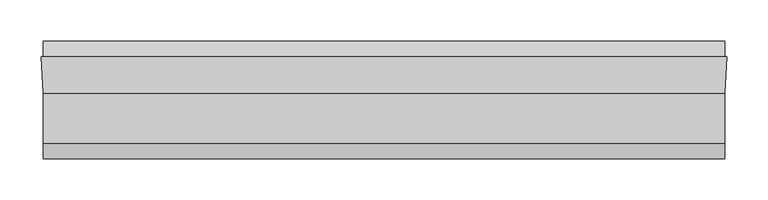
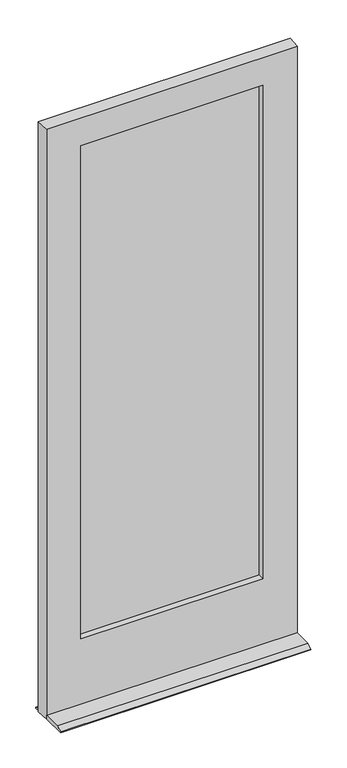
"""IFC4 building model written with IfcOpenShell, lengths in millimetres: plate geometry."""

import ifcopenshell
import ifcopenshell.guid

model = None  # the IFC model being written
_history = None  # IfcOwnerHistory: only IFC2X3 demands one
_inside = {}  # id of a spatial element -> (the spatial element, [elements in it])
_under = {}  # id of a project, library or spatial element -> (it, [spatial elements below it])
_declared = {}  # id of a project -> (the project, [libraries it declares])
_typed = {}  # id of a type object -> (the type object, [elements of that type])
_made_of = {}  # id of a material, layer set ... -> (it, [elements and type objects made of it])


def new_model(schema):
    """Start an empty IFC model of exactly this schema.

    Asked for "IFC4X3", IfcOpenShell would pick the latest addendum, in which some entities
    have other attributes; the version numbers below select the first issue.
    IFC2X3 requires an IfcOwnerHistory on every rooted entity: one is made here for all.
    """
    global model, _history
    if schema == "IFC4X3":
        model = ifcopenshell.file(schema_version=(4, 3, 0, 0))
    else:
        model = ifcopenshell.file(schema=schema)
    _inside.clear()
    _under.clear()
    _declared.clear()
    _typed.clear()
    _made_of.clear()
    _history = None
    if model.schema == "IFC2X3":
        org = make("IfcOrganization", Name="unknown")
        user = make(
            "IfcPersonAndOrganization",
            ThePerson=make("IfcPerson", FamilyName="unknown"),
            TheOrganization=org,
        )
        app = make(
            "IfcApplication",
            ApplicationDeveloper=org,
            Version="unknown",
            ApplicationFullName="unknown",
            ApplicationIdentifier="unknown",
        )
        _history = make(
            "IfcOwnerHistory",
            OwningUser=user,
            OwningApplication=app,
            ChangeAction="ADDED",
            CreationDate=0,
        )
    return model


def make(cls, **values):
    """One entity of the class cls with the attributes given. An attribute that is None is left unset."""
    return model.create_entity(
        cls, **{name: value for name, value in values.items() if value is not None}
    )


def rooted(cls, **values):
    """An entity with a GlobalId (a new one), such as an element, a storey or a relation."""
    return make(cls, GlobalId=ifcopenshell.guid.new(), OwnerHistory=_history, **values)


def si_unit(unit_type, name, prefix=None):
    """IfcSIUnit, for example si_unit("LENGTHUNIT", "METRE", prefix="MILLI")."""
    return make("IfcSIUnit", UnitType=unit_type, Prefix=prefix, Name=name)


def assignment(units):
    """IfcUnitAssignment: the units of a project."""
    return None if units is None else make("IfcUnitAssignment", Units=units)


def point(xyz):
    """IfcCartesianPoint."""
    return None if xyz is None else make("IfcCartesianPoint", Coordinates=xyz)


def direction(xyz):
    """IfcDirection."""
    return None if xyz is None else make("IfcDirection", DirectionRatios=xyz)


def frame(location, z_axis=None, x_axis=None):
    """IfcAxis2Placement3D, a coordinate frame: its origin and axes. An axis left out is left unset."""
    return make(
        "IfcAxis2Placement3D",
        Location=point(location),
        Axis=direction(z_axis),
        RefDirection=direction(x_axis),
    )


def origin():
    """The frame at (0, 0, 0) with its axes left unset."""
    return frame((0.0, 0.0, 0.0))


def place(relative_to, where):
    """IfcLocalPlacement: puts the frame where relative to a parent placement (None: the world)."""
    return make(
        "IfcLocalPlacement", PlacementRelTo=relative_to, RelativePlacement=where
    )


def context(
    kind, dimensions, precision=None, world=None, true_north=None, identifier=None
):
    """IfcGeometricRepresentationContext, for example the 3D "Model" context."""
    return make(
        "IfcGeometricRepresentationContext",
        ContextIdentifier=identifier,
        ContextType=kind,
        CoordinateSpaceDimension=dimensions,
        Precision=precision,
        WorldCoordinateSystem=world,
        TrueNorth=true_north,
    )


def project(units=None, contexts=None):
    """IfcProject with its units and contexts."""
    return rooted(
        "IfcProject",
        Name="project",
        RepresentationContexts=contexts,
        UnitsInContext=assignment(units),
    )


def spatial(cls, under=None, at=None, **own):
    """A site, building, storey or space (cls), placed at a placement, below another one or the project."""
    s = rooted(cls, ObjectPlacement=at, **own)
    if under is not None:
        _under.setdefault(under.id(), (under, []))[1].append(s)
    return s


def polyline(points):
    """IfcPolyline through the points."""
    return make("IfcPolyline", Points=[point(p) for p in points])


def outline(outer, holes=None, kind="AREA"):
    """IfcArbitraryClosedProfileDef: a profile drawn as a closed curve; with holes, ...WithVoids."""
    if holes is None:
        return make("IfcArbitraryClosedProfileDef", ProfileType=kind, OuterCurve=outer)
    return make(
        "IfcArbitraryProfileDefWithVoids",
        ProfileType=kind,
        OuterCurve=outer,
        InnerCurves=holes,
    )


def extrude(swept, where, along, depth):
    """IfcExtrudedAreaSolid: the profile swept, set in the frame where, extruded along a direction by depth."""
    return make(
        "IfcExtrudedAreaSolid",
        SweptArea=swept,
        Position=where,
        ExtrudedDirection=direction(along),
        Depth=depth,
    )


def faces_of(points, faces, orient=None, outer=None):
    """IfcFace entities. A face is a list of loops; a loop is a list of indices into points, from 0.

    orient and outer hold one flag for each loop. By default every Orientation is true, the
    first loop of a face is its IfcFaceOuterBound and the others are IfcFaceBound.
    """
    made = []
    for i, loops in enumerate(faces):
        bounds = []
        for j, loop in enumerate(loops):
            is_outer = j == 0 if outer is None else outer[i][j]
            bounds.append(
                make(
                    "IfcFaceOuterBound" if is_outer else "IfcFaceBound",
                    Bound=make("IfcPolyLoop", Polygon=[points[k] for k in loop]),
                    Orientation=True if orient is None else orient[i][j],
                )
            )
        made.append(make("IfcFace", Bounds=bounds))
    return made


def faceted_brep(points, faces, orient=None, outer=None, voids=None):
    """IfcFacetedBrep: a solid bounded by flat faces; with voids (closed shells), ...WithVoids."""
    shared = [point(p) for p in points]
    hull = make("IfcClosedShell", CfsFaces=faces_of(shared, faces, orient, outer))
    if voids is None:
        return make("IfcFacetedBrep", Outer=hull)
    return make(
        "IfcFacetedBrepWithVoids",
        Outer=hull,
        Voids=[
            make(cls, CfsFaces=faces_of(shared, fs, o, b)) for cls, fs, o, b in voids
        ],
    )


def shape(context_of_items, identifier, shape_type, items):
    """IfcShapeRepresentation: the items that make up one representation, for example the "Body"."""
    return make(
        "IfcShapeRepresentation",
        ContextOfItems=context_of_items,
        RepresentationIdentifier=identifier,
        RepresentationType=shape_type,
        Items=items,
    )


def source(mapping_origin, context_of_items, identifier, shape_type, items):
    """IfcRepresentationMap: a shape defined once, which mapped items show again and again."""
    return make(
        "IfcRepresentationMap",
        MappingOrigin=mapping_origin,
        MappedRepresentation=shape(context_of_items, identifier, shape_type, items),
    )


def transform(
    local_origin,
    x_axis=None,
    y_axis=None,
    z_axis=None,
    scale=None,
    scale2=None,
    scale3=None,
    uniform=True,
):
    """IfcCartesianTransformationOperator3D, or its non-uniform kind. x_axis, y_axis, z_axis: its Axis1, 2, 3."""
    if uniform:
        return make(
            "IfcCartesianTransformationOperator3D",
            Axis1=direction(x_axis),
            Axis2=direction(y_axis),
            LocalOrigin=point(local_origin),
            Scale=scale,
            Axis3=direction(z_axis),
        )
    return make(
        "IfcCartesianTransformationOperator3DnonUniform",
        Axis1=direction(x_axis),
        Axis2=direction(y_axis),
        LocalOrigin=point(local_origin),
        Scale=scale,
        Axis3=direction(z_axis),
        Scale2=scale2,
        Scale3=scale3,
    )


def mapped(mapping_source, mapping_target):
    """IfcMappedItem: shows the shape of a source again, moved by a transform."""
    return make(
        "IfcMappedItem", MappingSource=mapping_source, MappingTarget=mapping_target
    )


def made_of(thing, what):
    """Note that an element or type object is made of a material, layer set ...; save() writes the relation."""
    if what is not None:
        _made_of.setdefault(what.id(), (what, []))[1].append(thing)
    return thing


def element(
    cls,
    number,
    at=None,
    inside=None,
    cuts=None,
    type_object=None,
    material=None,
    context=None,
    identifier="Body",
    shape_type=None,
    held_by="IfcProductDefinitionShape",
    body=None,
    shapes=None,
    **own,
):
    """One element of the class cls, such as IfcWall. Its Tag is "e" and its number.

    at: its placement. inside: the storey or other place that contains it. cuts: it is an
    opening in that element (IfcRelVoidsElement). A single representation is given by context,
    identifier, shape_type and body (its items); several are given by shapes. held_by: the class
    of the entity that holds the representations. save() writes the other relations.
    """
    e = rooted(cls, Tag="e%d" % number, ObjectPlacement=at, **own)
    if body is not None:
        shapes = [shape(context, identifier, shape_type, body)]
    if shapes is not None:
        e.Representation = make(held_by, Representations=shapes)
    if inside is not None:
        _inside.setdefault(inside.id(), (inside, []))[1].append(e)
    if cuts is not None:
        rooted(
            "IfcRelVoidsElement", RelatingBuildingElement=cuts, RelatedOpeningElement=e
        )
    if type_object is not None:
        _typed.setdefault(type_object.id(), (type_object, []))[1].append(e)
    return made_of(e, material)


def aggregate(whole, parts):
    """IfcRelAggregates: a whole, such as a stair, and the parts it consists of."""
    return rooted("IfcRelAggregates", RelatingObject=whole, RelatedObjects=parts)


def save(model, path):
    """Write the relations noted so far, then the file.

    IfcRelAggregates (storeys below a building ...), IfcRelContainedInSpatialStructure (elements
    in a storey), IfcRelDefinesByType, IfcRelAssociatesMaterial and IfcRelDeclares: one each for
    every whole, place, type object, material and project.
    """
    for whole, parts in _under.values():
        aggregate(whole, parts)
    for where, things in _inside.values():
        rooted(
            "IfcRelContainedInSpatialStructure",
            RelatedElements=things,
            RelatingStructure=where,
        )
    for kind, things in _typed.values():
        rooted("IfcRelDefinesByType", RelatedObjects=things, RelatingType=kind)
    for what, things in _made_of.values():
        rooted("IfcRelAssociatesMaterial", RelatedObjects=things, RelatingMaterial=what)
    for by, libraries in _declared.values():
        rooted("IfcRelDeclares", RelatingContext=by, RelatedDefinitions=libraries)
    model.write(path)


def plate_880a13b1(model_context):
    return source(origin(), model_context, "Body", "SolidModel", [
        extrude(outline(polyline([(-316.7055893, -16.3742688), (-316.7055893, -13.1992688), (316.70625, -13.1992688), (316.70625, -16.3742688), (-316.7055893, -16.3742688)])), frame((0.0, 0.0, 226.615625), z_axis=(0.0, 0.0, 1.0), x_axis=(1.0, 0.0, 0.0)), (0.0, 0.0, 1.0), 1758.553125),
        extrude(outline(polyline([(-316.7055893, -20.9383312), (316.70625, -20.9383312), (316.70625, -24.1133312), (-316.7055893, -24.1133312), (-316.7055893, -20.9383312)])), frame((0.0, 0.0, 226.615625), z_axis=(0.0, 0.0, 1.0), x_axis=(1.0, 0.0, 0.0)), (0.0, 0.0, 1.0), 1758.553125),
        faceted_brep([(414.743896, -46.037564, 12.7), (414.743896, -106.3618913, 12.7), (414.743896, -125.4125, 3.1746956), (414.743896, -125.4125, 0.0003044), (414.743896, -46.037564, 0.0), (414.743896, 17.4625, 0.0003044), (414.743896, 17.4625, 3.1746956), (414.743896, -1.587564, 12.6997276), (414.743896, -1.587564, 0.0), (-414.7420889, -1.587564, 12.6997276), (-414.7420889, 17.4625, 3.1746956), (-414.7420889, 17.4625, 0.0003044), (-414.7420889, -1.587564, 0.0), (-414.7420889, -125.4125, 0.0003044), (-414.7420889, -125.4125, 3.1746956), (-414.7420889, -106.3618913, 12.7), (-414.7420889, -46.037564, 12.7), (-414.7420889, -46.037564, 0.0), (316.70625, -13.1992688, 226.615625), (-316.7055893, -13.1992688, 226.615625), (-316.7055893, -24.1133312, 226.615625), (316.70625, -24.1133312, 226.615625), (-301.6371359, -46.037564, 241.2869956), (301.6380625, -46.037564, 241.2869956), (301.6380625, -24.1133313, 241.2869956), (-301.6371359, -24.1133312, 241.2869956), (-296.8625, -13.1992688, 246.0621956), (296.8625, -13.1992688, 246.0621956), (296.8625, -1.587564, 246.0621956), (-296.8625, -1.587564, 246.0621956), (-301.6371359, -24.1133313, 1970.1002), (-301.6371359, -46.037564, 1970.1002), (-316.7055893, -13.1992688, 1985.16875), (-316.7055893, -24.1133313, 1985.16875), (-296.8625, -1.587564, 1965.325), (-296.8625, -13.1992688, 1965.325), (296.8625, -13.1992688, 1965.325), (296.8625, -1.587564, 1965.325), (316.70625, -24.1133313, 1985.16875), (316.70625, -13.1992688, 1985.16875), (301.6380625, -46.037564, 1970.1002), (301.6380625, -24.1133313, 1970.1002), (-417.5106889, -1.587564, 2067.71875), (-414.7420889, -46.037564, 2067.71875), (414.743896, -46.037564, 2067.71875), (417.512496, -1.587564, 2067.71875), (-417.5106889, -1.587564, 0.0), (417.512496, -1.587564, 0.0)], [[[0, 1, 2, 3, 4]], [[5, 6, 7, 8]], [[9, 10, 11, 12]], [[13, 14, 15, 16, 17]], [[18, 19, 20, 21]], [[22, 23, 24, 25]], [[1, 0, 16, 15]], [[2, 1, 15, 14]], [[3, 2, 14, 13]], [[6, 5, 11, 10]], [[9, 7, 6, 10]], [[26, 27, 28, 29]], [[30, 31, 22, 25]], [[19, 32, 33, 20]], [[34, 35, 26, 29]], [[36, 37, 28, 27]], [[21, 38, 39, 18]], [[40, 41, 24, 23]], [[35, 34, 37, 36]], [[33, 32, 39, 38]], [[31, 30, 41, 40]], [[42, 43, 44, 45]], [[16, 43, 42, 46, 17]], [[45, 44, 0, 4, 47]], [[44, 43, 16, 0], [31, 40, 23, 22]], [[46, 42, 45, 47, 8, 7, 9, 12], [34, 29, 28, 37]], [[39, 32, 19, 18], [35, 36, 27, 26]], [[33, 38, 21, 20], [41, 30, 25, 24]], [[17, 46, 12, 11, 5, 8, 47, 4, 3, 13]]]),
    ])


if __name__ == "__main__":
    model = new_model("IFC4")
    model_context = context("Model", 3, world=origin())
    ifc_project = project(units=[si_unit("LENGTHUNIT", "METRE", prefix="MILLI")], contexts=[model_context])
    site = spatial("IfcSite", under=ifc_project)
    building = spatial("IfcBuilding", under=site)
    placement = place(None, origin())
    plate_shape = plate_880a13b1(model_context)
    element("IfcPlate", 1, at=placement, inside=building, context=model_context, shape_type="MappedRepresentation", body=[
        mapped(plate_shape, transform((0.0, 0.0, 0.0), x_axis=(1.0, 0.0, 0.0), y_axis=(0.0, 1.0, 0.0), z_axis=(0.0, 0.0, 1.0))),
    ])
    save(model, "model.ifc")
